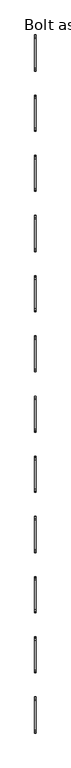
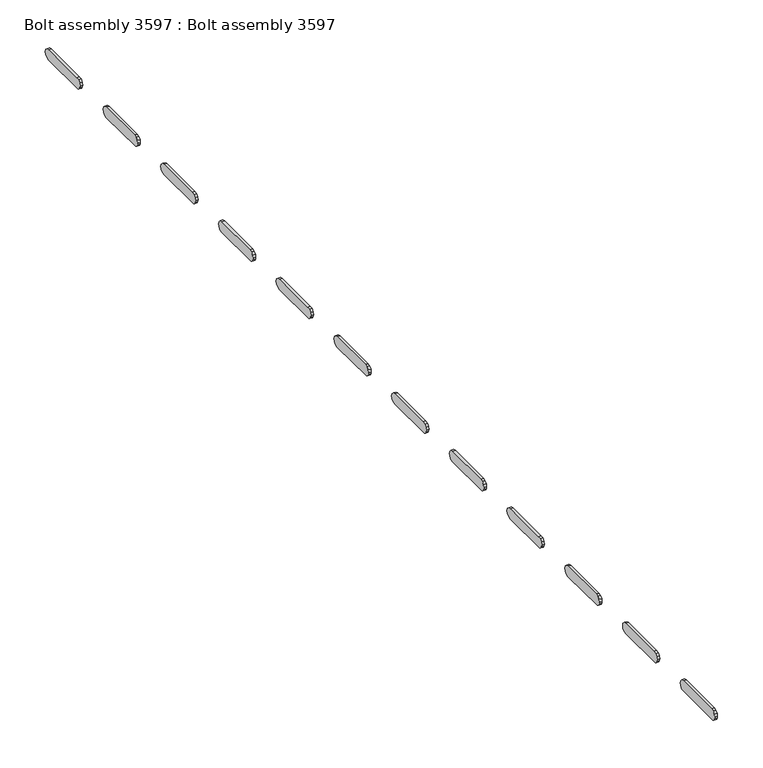
"""IFC4 building model written with IfcOpenShell, lengths in millimetres: proxy geometry, Bolt assembly 3597 : Bolt assembly 3597."""

from ifc_helpers import new_model, si_unit, frame, origin, place, context, project, spatial, polyline, outline, extrude, source, transform, mapped, element, save


def bolt_assembly_3597_bolt_assembly_3597_5bb105b6(model_context):
    return source(origin(), model_context, "Body", "SweptSolid", [
        extrude(outline(polyline([(991.5572486, -69.4525015), (994.1725001, -66.83725), (997.7450001, -65.8800015), (1059.6549999, -65.8800015), (1063.2274999, -66.83725), (1065.8427514, -69.4525015), (1066.7999999, -73.0250015), (1065.8427514, -76.5975015), (1063.2274999, -79.212753), (1059.6549999, -80.1700015), (995.010727, -79.6261208), (992.6927221, -78.0772795), (991.1438808, -75.7592746), (990.6000001, -73.0250015), (991.5572486, -69.4525015)])), frame((990.5000008, 0.0, 0.0), z_axis=(1.0, 0.0, 0.0), x_axis=(0.0, 1.0, 0.0)), (0.0, 0.0, 1.0), 3.275),
        extrude(outline(polyline([(1118.5572486, -69.4525015), (1121.1725001, -66.83725), (1124.7450001, -65.8800015), (1186.6549999, -65.8800015), (1190.2274999, -66.83725), (1192.8427514, -69.4525015), (1193.7999999, -73.0250015), (1192.8427514, -76.5975015), (1190.2274999, -79.212753), (1186.6549999, -80.1700015), (1122.010727, -79.6261208), (1119.6927221, -78.0772795), (1118.1438808, -75.7592746), (1117.6000001, -73.0250015), (1118.5572486, -69.4525015)])), frame((990.5000008, 0.0, 0.0), z_axis=(1.0, 0.0, 0.0), x_axis=(0.0, 1.0, 0.0)), (0.0, 0.0, 1.0), 3.275),
        extrude(outline(polyline([(1245.5572486, -69.4525015), (1248.1725001, -66.83725), (1251.7450001, -65.8800015), (1313.6549999, -65.8800015), (1317.2274999, -66.83725), (1319.8427514, -69.4525015), (1320.7999999, -73.0250015), (1319.8427514, -76.5975015), (1317.2274999, -79.212753), (1313.6549999, -80.1700015), (1249.010727, -79.6261208), (1246.6927221, -78.0772795), (1245.1438808, -75.7592746), (1244.6000001, -73.0250015), (1245.5572486, -69.4525015)])), frame((990.5000008, 0.0, 0.0), z_axis=(1.0, 0.0, 0.0), x_axis=(0.0, 1.0, 0.0)), (0.0, 0.0, 1.0), 3.275),
        extrude(outline(polyline([(1372.5572486, -69.4525015), (1375.1725001, -66.83725), (1378.7450001, -65.8800015), (1440.6549999, -65.8800015), (1444.2274999, -66.83725), (1446.8427514, -69.4525015), (1447.7999999, -73.0250015), (1446.8427514, -76.5975015), (1444.2274999, -79.212753), (1440.6549999, -80.1700015), (1376.010727, -79.6261208), (1373.6927221, -78.0772795), (1372.1438808, -75.7592746), (1371.6000001, -73.0250015), (1372.5572486, -69.4525015)])), frame((990.5000008, 0.0, 0.0), z_axis=(1.0, 0.0, 0.0), x_axis=(0.0, 1.0, 0.0)), (0.0, 0.0, 1.0), 3.275),
        extrude(outline(polyline([(1499.5572486, -69.4525015), (1502.1725001, -66.83725), (1505.7450001, -65.8800015), (1567.6549999, -65.8800015), (1571.2274999, -66.83725), (1573.8427514, -69.4525015), (1574.7999999, -73.0250015), (1573.8427514, -76.5975015), (1571.2274999, -79.212753), (1567.6549999, -80.1700015), (1503.010727, -79.6261208), (1500.6927221, -78.0772795), (1499.1438808, -75.7592746), (1498.6000001, -73.0250015), (1499.5572486, -69.4525015)])), frame((990.5000008, 0.0, 0.0), z_axis=(1.0, 0.0, 0.0), x_axis=(0.0, 1.0, 0.0)), (0.0, 0.0, 1.0), 3.275),
        extrude(outline(polyline([(1626.5572486, -69.4525015), (1629.1725001, -66.83725), (1632.7450001, -65.8800015), (1694.6549999, -65.8800015), (1698.2274999, -66.83725), (1700.8427514, -69.4525015), (1701.7999999, -73.0250015), (1700.8427514, -76.5975015), (1698.2274999, -79.212753), (1694.6549999, -80.1700015), (1630.010727, -79.6261208), (1627.6927221, -78.0772795), (1626.1438808, -75.7592746), (1625.6000001, -73.0250015), (1626.5572486, -69.4525015)])), frame((990.5000008, 0.0, 0.0), z_axis=(1.0, 0.0, 0.0), x_axis=(0.0, 1.0, 0.0)), (0.0, 0.0, 1.0), 3.275),
        extrude(outline(polyline([(1753.5572486, -69.4525015), (1756.1725001, -66.83725), (1759.7450001, -65.8800015), (1821.6549999, -65.8800015), (1825.2274999, -66.83725), (1827.8427514, -69.4525015), (1828.7999999, -73.0250015), (1827.8427514, -76.5975015), (1825.2274999, -79.212753), (1821.6549999, -80.1700015), (1757.010727, -79.6261208), (1754.6927221, -78.0772795), (1753.1438808, -75.7592746), (1752.6000001, -73.0250015), (1753.5572486, -69.4525015)])), frame((990.5000008, 0.0, 0.0), z_axis=(1.0, 0.0, 0.0), x_axis=(0.0, 1.0, 0.0)), (0.0, 0.0, 1.0), 3.275),
        extrude(outline(polyline([(1880.5572486, -69.4525015), (1883.1725001, -66.83725), (1886.7450001, -65.8800015), (1948.6549999, -65.8800015), (1952.2274999, -66.83725), (1954.8427514, -69.4525015), (1955.7999999, -73.0250015), (1954.8427514, -76.5975015), (1952.2274999, -79.212753), (1948.6549999, -80.1700015), (1884.010727, -79.6261208), (1881.6927221, -78.0772795), (1880.1438808, -75.7592746), (1879.6000001, -73.0250015), (1880.5572486, -69.4525015)])), frame((990.5000008, 0.0, 0.0), z_axis=(1.0, 0.0, 0.0), x_axis=(0.0, 1.0, 0.0)), (0.0, 0.0, 1.0), 3.275),
        extrude(outline(polyline([(2007.5572486, -69.4525015), (2010.1725001, -66.83725), (2013.7450001, -65.8800015), (2075.6549999, -65.8800015), (2079.2274999, -66.83725), (2081.8427514, -69.4525015), (2082.7999999, -73.0250015), (2081.8427514, -76.5975015), (2079.2274999, -79.212753), (2075.6549999, -80.1700015), (2011.010727, -79.6261208), (2008.6927221, -78.0772795), (2007.1438808, -75.7592746), (2006.6000001, -73.0250015), (2007.5572486, -69.4525015)])), frame((990.5000008, 0.0, 0.0), z_axis=(1.0, 0.0, 0.0), x_axis=(0.0, 1.0, 0.0)), (0.0, 0.0, 1.0), 3.275),
        extrude(outline(polyline([(2134.5572486, -69.4525015), (2137.1725001, -66.83725), (2140.7450001, -65.8800015), (2202.6549999, -65.8800015), (2206.2274999, -66.83725), (2208.8427514, -69.4525015), (2209.7999999, -73.0250015), (2208.8427514, -76.5975015), (2206.2274999, -79.212753), (2202.6549999, -80.1700015), (2138.010727, -79.6261208), (2135.6927221, -78.0772795), (2134.1438808, -75.7592746), (2133.6000001, -73.0250015), (2134.5572486, -69.4525015)])), frame((990.5000008, 0.0, 0.0), z_axis=(1.0, 0.0, 0.0), x_axis=(0.0, 1.0, 0.0)), (0.0, 0.0, 1.0), 3.275),
        extrude(outline(polyline([(2261.5572486, -69.4525015), (2264.1725001, -66.83725), (2267.7450001, -65.8800015), (2329.6549999, -65.8800015), (2333.2274999, -66.83725), (2335.8427514, -69.4525015), (2336.7999999, -73.0250015), (2335.8427514, -76.5975015), (2333.2274999, -79.212753), (2329.6549999, -80.1700015), (2265.010727, -79.6261208), (2262.6927221, -78.0772795), (2261.1438808, -75.7592746), (2260.6000001, -73.0250015), (2261.5572486, -69.4525015)])), frame((990.5000008, 0.0, 0.0), z_axis=(1.0, 0.0, 0.0), x_axis=(0.0, 1.0, 0.0)), (0.0, 0.0, 1.0), 3.275),
        extrude(outline(polyline([(2388.5572486, -69.4525015), (2391.1725001, -66.83725), (2394.7450001, -65.8800015), (2456.6549999, -65.8800015), (2460.2274999, -66.83725), (2462.8427514, -69.4525015), (2463.7999999, -73.0250015), (2462.8427514, -76.5975015), (2460.2274999, -79.212753), (2456.6549999, -80.1700015), (2392.010727, -79.6261208), (2389.6927221, -78.0772795), (2388.1438808, -75.7592746), (2387.6000001, -73.0250015), (2388.5572486, -69.4525015)])), frame((990.5000008, 0.0, 0.0), z_axis=(1.0, 0.0, 0.0), x_axis=(0.0, 1.0, 0.0)), (0.0, 0.0, 1.0), 3.275),
    ])


if __name__ == "__main__":
    model = new_model("IFC4")
    model_context = context("Model", 3, world=origin())
    ifc_project = project(units=[si_unit("LENGTHUNIT", "METRE", prefix="MILLI")], contexts=[model_context])
    site = spatial("IfcSite", under=ifc_project)
    building = spatial("IfcBuilding", under=site)
    placement = place(None, origin())
    bolt_assembly_3597_bolt_assembly_3597_shape = bolt_assembly_3597_bolt_assembly_3597_5bb105b6(model_context)
    element("IfcBuildingElementProxy", 1, Name="Bolt assembly 3597 : Bolt assembly 3597", ObjectType="Bolt assembly 3597 : Bolt assembly 3597", at=placement, inside=building, context=model_context, shape_type="MappedRepresentation", body=[
        mapped(bolt_assembly_3597_bolt_assembly_3597_shape, transform((0.0, 0.0, 0.0), x_axis=(1.0, 0.0, 0.0), y_axis=(0.0, 1.0, 0.0), z_axis=(0.0, 0.0, 1.0))),
    ])
    save(model, "model.ifc")
